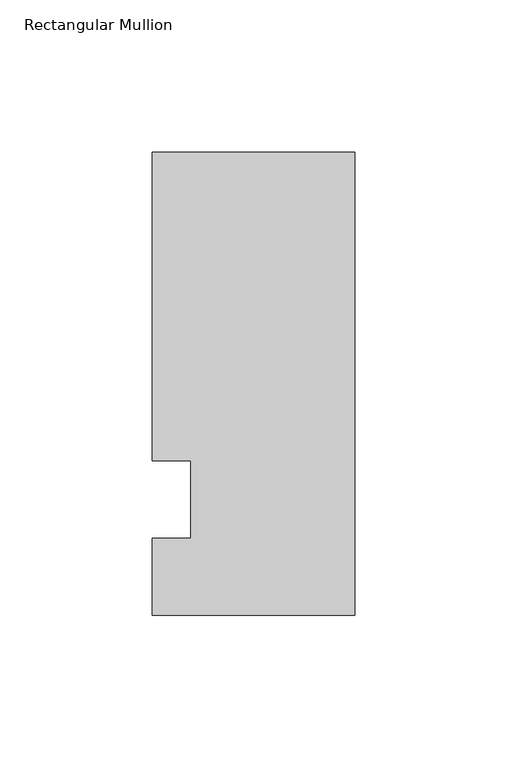
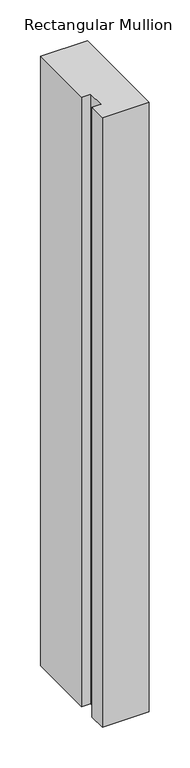
"""IFC4 building model written with IfcOpenShell, lengths in millimetres: member geometry, Rectangular Mullion."""

from ifc_helpers import new_model, si_unit, frame, origin, place, context, project, spatial, polyline, outline, extrude, source, transform, mapped, element, save


def rectangular_mullion_906548f7(model_context):
    return source(origin(), model_context, "Body", "SweptSolid", [
        extrude(outline(polyline([(-66.675, 114.3), (0.0, 114.3), (0.0, -38.1), (-66.675, -38.1), (-66.675, -12.7), (-53.9732296, -12.7), (-53.9732296, 12.7), (-66.675, 12.7), (-66.675, 114.3)])), frame((0.0, 0.0, -916.4155973), z_axis=(0.0, 0.0, 1.0), x_axis=(1.0, 0.0, 0.0)), (0.0, 0.0, 1.0), 916.4155973),
    ])


if __name__ == "__main__":
    model = new_model("IFC4")
    model_context = context("Model", 3, world=origin())
    ifc_project = project(units=[si_unit("LENGTHUNIT", "METRE", prefix="MILLI")], contexts=[model_context])
    site = spatial("IfcSite", under=ifc_project)
    building = spatial("IfcBuilding", under=site)
    placement = place(None, origin())
    rectangular_mullion_shape = rectangular_mullion_906548f7(model_context)
    element("IfcMember", 1, ObjectType="Rectangular Mullion", at=placement, inside=building, context=model_context, shape_type="MappedRepresentation", body=[
        mapped(rectangular_mullion_shape, transform((0.0, 0.0, 0.0), x_axis=(1.0, 0.0, 0.0), y_axis=(0.0, 1.0, 0.0), z_axis=(0.0, 0.0, 1.0))),
    ])
    save(model, "model.ifc")
